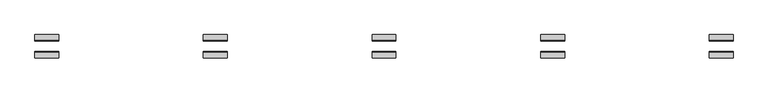
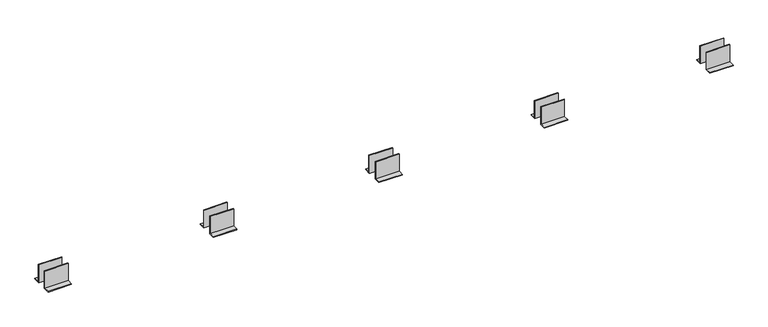
"""IFC4 building model written with IfcOpenShell, lengths in millimetres: proxy geometry."""

from ifc_helpers import new_model, si_unit, frame, origin, place, context, project, spatial, polyline, outline, extrude, source, transform, mapped, element, save


def generic_models_e9cd8f4a(model_context):
    return source(origin(), model_context, "Body", "SweptSolid", [
        extrude(outline(polyline([(33.0, 0.0), (33.0, 120.0), (37.0, 120.0), (37.0, 4.0), (73.0, 4.0), (73.0, 0.0), (33.0, 0.0)])), frame((3244.0972277, 0.0, 0.0), z_axis=(1.0, 0.0, 0.0), x_axis=(0.0, 1.0, 0.0)), (0.0, 0.0, 1.0), 150.0),
        extrude(outline(polyline([(-33.0, 120.0), (-33.0, 0.0), (-73.0, 0.0), (-73.0, 4.0), (-37.0, 4.0), (-37.0, 120.0), (-33.0, 120.0)])), frame((3244.0972277, 0.0, 0.0), z_axis=(1.0, 0.0, 0.0), x_axis=(0.0, 1.0, 0.0)), (0.0, 0.0, 1.0), 150.0),
        extrude(outline(polyline([(33.0, 0.0), (33.0, 120.0), (37.0, 120.0), (37.0, 4.0), (73.0, 4.0), (73.0, 0.0), (33.0, 0.0)])), frame((2184.3981518, 0.0, 0.0), z_axis=(1.0, 0.0, 0.0), x_axis=(0.0, 1.0, 0.0)), (0.0, 0.0, 1.0), 150.0),
        extrude(outline(polyline([(-33.0, 120.0), (-33.0, 0.0), (-73.0, 0.0), (-73.0, 4.0), (-37.0, 4.0), (-37.0, 120.0), (-33.0, 120.0)])), frame((2184.3981518, 0.0, 0.0), z_axis=(1.0, 0.0, 0.0), x_axis=(0.0, 1.0, 0.0)), (0.0, 0.0, 1.0), 150.0),
        extrude(outline(polyline([(33.0, 0.0), (33.0, 120.0), (37.0, 120.0), (37.0, 4.0), (73.0, 4.0), (73.0, 0.0), (33.0, 0.0)])), frame((1124.6990759, 0.0, 0.0), z_axis=(1.0, 0.0, 0.0), x_axis=(0.0, 1.0, 0.0)), (0.0, 0.0, 1.0), 150.0),
        extrude(outline(polyline([(-33.0, 120.0), (-33.0, 0.0), (-73.0, 0.0), (-73.0, 4.0), (-37.0, 4.0), (-37.0, 120.0), (-33.0, 120.0)])), frame((1124.6990759, 0.0, 0.0), z_axis=(1.0, 0.0, 0.0), x_axis=(0.0, 1.0, 0.0)), (0.0, 0.0, 1.0), 150.0),
        extrude(outline(polyline([(33.0, 0.0), (33.0, 120.0), (37.0, 120.0), (37.0, 4.0), (73.0, 4.0), (73.0, 0.0), (33.0, 0.0)])), frame((4303.7963036, 0.0, 0.0), z_axis=(1.0, 0.0, 0.0), x_axis=(0.0, 1.0, 0.0)), (0.0, 0.0, 1.0), 150.0),
        extrude(outline(polyline([(-33.0, 120.0), (-33.0, 0.0), (-73.0, 0.0), (-73.0, 4.0), (-37.0, 4.0), (-37.0, 120.0), (-33.0, 120.0)])), frame((4303.7963036, 0.0, 0.0), z_axis=(1.0, 0.0, 0.0), x_axis=(0.0, 1.0, 0.0)), (0.0, 0.0, 1.0), 150.0),
        extrude(outline(polyline([(33.0, 0.0), (33.0, 120.0), (37.0, 120.0), (37.0, 4.0), (73.0, 4.0), (73.0, 0.0), (33.0, 0.0)])), frame((65.0, 0.0, 0.0), z_axis=(1.0, 0.0, 0.0), x_axis=(0.0, 1.0, 0.0)), (0.0, 0.0, 1.0), 150.0),
        extrude(outline(polyline([(-33.0, 120.0), (-33.0, 0.0), (-73.0, 0.0), (-73.0, 4.0), (-37.0, 4.0), (-37.0, 120.0), (-33.0, 120.0)])), frame((65.0, 0.0, 0.0), z_axis=(1.0, 0.0, 0.0), x_axis=(0.0, 1.0, 0.0)), (0.0, 0.0, 1.0), 150.0),
    ])


if __name__ == "__main__":
    model = new_model("IFC4")
    model_context = context("Model", 3, world=origin())
    ifc_project = project(units=[si_unit("LENGTHUNIT", "METRE", prefix="MILLI")], contexts=[model_context])
    site = spatial("IfcSite", under=ifc_project)
    building = spatial("IfcBuilding", under=site)
    placement = place(None, origin())
    generic_models_shape = generic_models_e9cd8f4a(model_context)
    element("IfcBuildingElementProxy", 1, Name="Generic Models", at=placement, inside=building, context=model_context, shape_type="MappedRepresentation", body=[
        mapped(generic_models_shape, transform((0.0, 0.0, 0.0), x_axis=(1.0, 0.0, 0.0), y_axis=(0.0, 1.0, 0.0), z_axis=(0.0, 0.0, 1.0))),
    ])
    save(model, "model.ifc")
